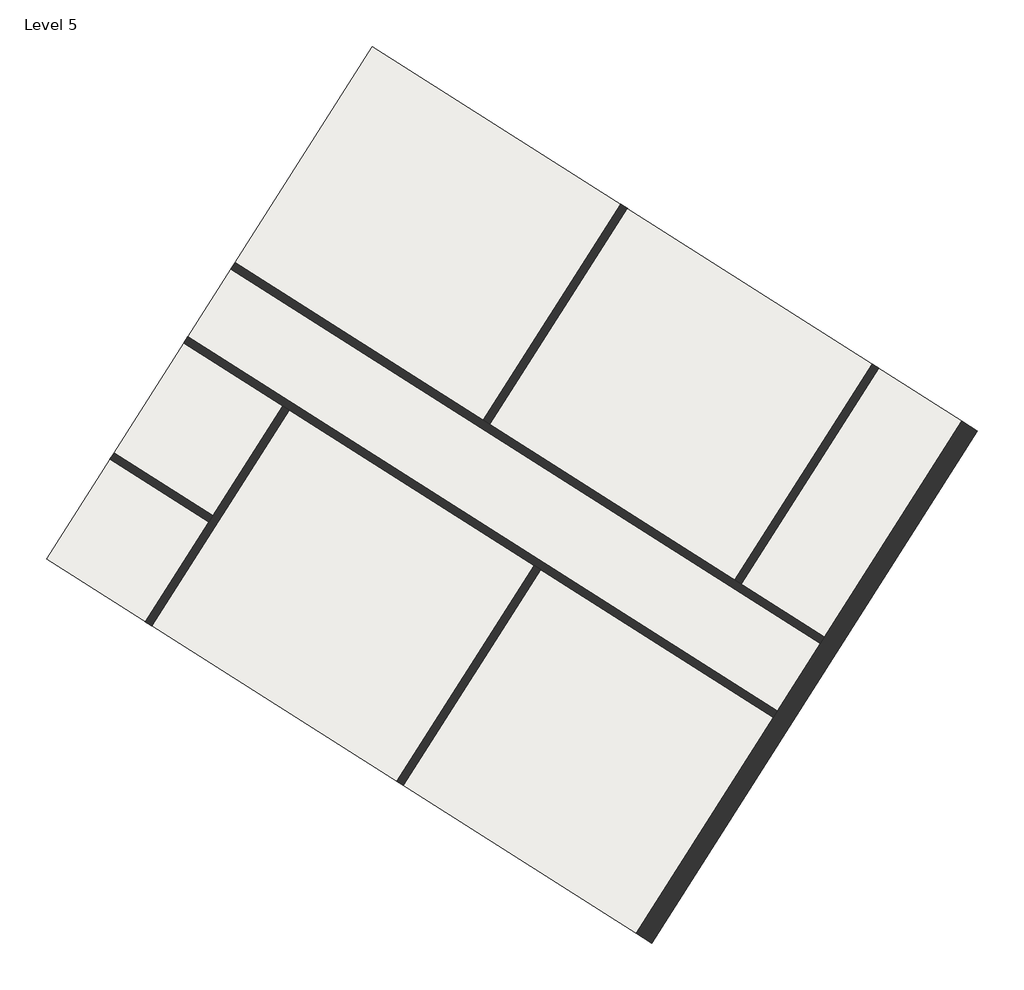
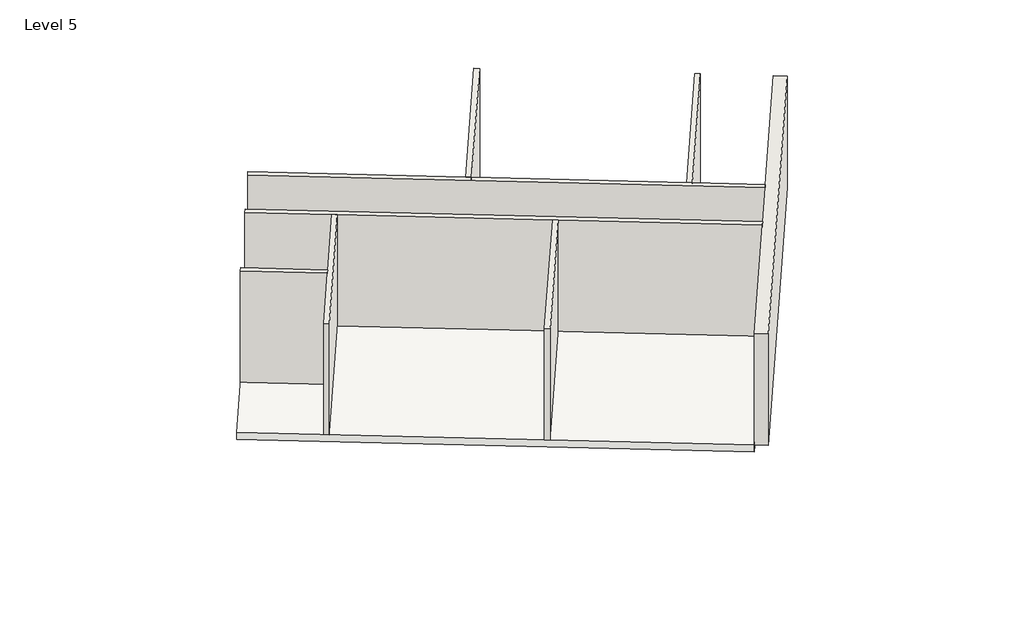
# One storey: 8 walls, 1 slab.
"""IFC4 building model written with IfcOpenShell, lengths in millimetres."""

from ifc_helpers import new_model, si_unit, frame, origin, place, context, project, spatial, polyline, outline, extrude, faceted_brep, element, save

model = new_model("IFC4")

# Units and contexts
model_context = context("Model", 3, world=origin())
ifc_project = project(units=[si_unit("LENGTHUNIT", "METRE", prefix="MILLI")], contexts=[model_context])

# Site, building, storey
site = spatial("IfcSite", under=ifc_project)
building = spatial("IfcBuilding", under=site)
storey = spatial("IfcBuildingStorey", under=building, Name="Level 5", Elevation=19507.2)

# Slab
placement = place(None, origin())
element("IfcSlab", 1, ObjectType="Generic - 12\"", at=placement, inside=storey, context=model_context, shape_type="SweptSolid", body=[
    extrude(outline(polyline([(566597.0857134, 249163.9606719), (557934.5228164, 235528.5419613), (542257.7475302, 245487.9759046), (550920.3104272, 259123.3946153), (566597.0857134, 249163.9606719)])), frame((0.0, 0.0, 19202.4), z_axis=(0.0, 0.0, 1.0), x_axis=(1.0, 0.0, 0.0)), (0.0, 0.0, 1.0), 304.8),
])

# Walls
element("IfcWall", 2, ObjectType="Generic - 191/2\" Exterior", at=placement, inside=storey, context=model_context, shape_type="Brep", body=[
    faceted_brep([(558352.5898995, 235262.944514, 19507.2), (567015.1527965, 248898.3632246, 19507.2), (567015.1527965, 248898.3632246, 24384.0), (558352.5898995, 235262.944514, 24384.0), (557934.5228164, 235528.5419613, 19507.2), (557934.5228164, 235528.5419613, 24384.0), (561584.7851692, 241274.2844368, 24384.0), (561693.7482245, 241445.7991376, 24384.0), (562837.8603052, 243246.7034956, 24384.0), (562946.8233605, 243418.2181964, 24384.0), (566597.0857134, 249163.9606719, 24384.0), (566597.0857134, 249163.9606719, 19507.2), (562946.8233605, 243418.2181964, 19507.2), (562837.8603052, 243246.7034956, 19507.2), (561693.7482245, 241445.7991376, 19507.2), (561584.7851692, 241274.2844368, 19507.2)], [[[0, 1, 2, 3]], [[4, 5, 6, 7, 8, 9, 10, 11, 12, 13, 14, 15]], [[1, 0, 4, 15, 14, 13, 12, 11]], [[3, 2, 10, 9, 8, 7, 6, 5]], [[2, 1, 11, 10]], [[0, 3, 5, 4]]]),
])
element("IfcWall", 3, ObjectType="Generic - 8\"", at=placement, inside=storey, context=model_context, shape_type="Brep", body=[
    faceted_brep([(545908.009883, 251233.7183802, 19507.2), (548538.9482424, 249562.2868312, 19507.2), (548710.4629432, 249453.3237759, 19507.2), (555228.0215722, 245312.7276742, 19507.2), (555399.5362729, 245203.7646189, 19507.2), (561584.7851692, 241274.2844368, 19507.2), (561584.7851692, 241274.2844368, 24384.0), (555399.5362729, 245203.7646189, 24384.0), (555228.0215722, 245312.7276742, 24384.0), (548710.4629432, 249453.3237759, 24384.0), (548538.9482424, 249562.2868312, 24384.0), (545908.009883, 251233.7183802, 24384.0), (546016.9729383, 251405.233081, 19507.2), (546016.9729383, 251405.233081, 24384.0), (561693.7482245, 241445.7991376, 24384.0), (561693.7482245, 241445.7991376, 19507.2)], [[[0, 1, 2, 3, 4, 5, 6, 7, 8, 9, 10, 11]], [[12, 13, 14, 15]], [[5, 4, 3, 2, 1, 0, 12, 15]], [[11, 10, 9, 8, 7, 6, 14, 13]], [[0, 11, 13, 12]], [[6, 5, 15, 14]]]),
])
element("IfcWall", 4, ObjectType="Generic - 8\"", at=placement, inside=storey, context=model_context, shape_type="Brep", body=[
    faceted_brep([(562946.8233605, 243418.2181964, 19507.2), (560733.9520843, 244824.052298, 19507.2), (560562.4373835, 244933.0153533, 19507.2), (554044.8787545, 249073.611455, 19507.2), (553873.3640538, 249182.5745103, 19507.2), (547270.0480744, 253377.6521397, 19507.2), (547270.0480744, 253377.6521397, 24384.0), (553873.3640538, 249182.5745103, 24384.0), (554044.8787545, 249073.611455, 24384.0), (560562.4373835, 244933.0153533, 24384.0), (560733.9520843, 244824.052298, 24384.0), (562946.8233605, 243418.2181964, 24384.0), (562837.8603052, 243246.7034956, 19507.2), (562837.8603052, 243246.7034956, 24384.0), (547161.0850191, 253206.137439, 24384.0), (547161.0850191, 253206.137439, 19507.2)], [[[0, 1, 2, 3, 4, 5, 6, 7, 8, 9, 10, 11]], [[12, 13, 14, 15]], [[5, 4, 3, 2, 1, 0, 12, 15]], [[11, 10, 9, 8, 7, 6, 14, 13]], [[6, 5, 15, 14]], [[0, 11, 13, 12]]]),
])
element("IfcWall", 5, ObjectType="Generic - 8\"", at=placement, inside=storey, context=model_context, shape_type="Brep", body=[
    faceted_brep([(548538.9482424, 249562.2868312, 19507.2), (546683.0723074, 246641.0214101, 19507.2), (546574.1092521, 246469.5067094, 19507.2), (544888.6858896, 243816.5443557, 19507.2), (544888.6858896, 243816.5443557, 24384.0), (546574.1092521, 246469.5067094, 24384.0), (546683.0723074, 246641.0214101, 24384.0), (548538.9482424, 249562.2868312, 24384.0), (548710.4629432, 249453.3237759, 19507.2), (548710.4629432, 249453.3237759, 24384.0), (545060.2005903, 243707.5813004, 24384.0), (545060.2005903, 243707.5813004, 19507.2)], [[[0, 1, 2, 3, 4, 5, 6, 7]], [[8, 9, 10, 11]], [[3, 2, 1, 0, 8, 11]], [[7, 6, 5, 4, 10, 9]], [[0, 7, 9, 8]], [[4, 3, 11, 10]]]),
])
element("IfcWall", 6, ObjectType="Generic - 8\"", at=placement, inside=storey, context=model_context, shape_type="SweptSolid", body=[
    extrude(outline(polyline([(544052.133948, 248312.4529591), (546683.0723074, 246641.0214101), (546574.1092521, 246469.5067094), (543943.1708927, 248140.9382583), (544052.133948, 248312.4529591)])), frame((0.0, 0.0, 19507.2), z_axis=(0.0, 0.0, 1.0), x_axis=(1.0, 0.0, 0.0)), (0.0, 0.0, 1.0), 4876.8),
])
element("IfcWall", 7, ObjectType="Generic - 8\"", at=placement, inside=storey, context=model_context, shape_type="SweptSolid", body=[
    extrude(outline(polyline([(555399.5362729, 245203.7646189), (551749.2739201, 239458.0221433), (551577.7592193, 239566.9851986), (555228.0215722, 245312.7276742), (555399.5362729, 245203.7646189)])), frame((0.0, 0.0, 19507.2), z_axis=(0.0, 0.0, 1.0), x_axis=(1.0, 0.0, 0.0)), (0.0, 0.0, 1.0), 4876.8),
])
element("IfcWall", 8, ObjectType="Generic - 8\"", at=placement, inside=storey, context=model_context, shape_type="SweptSolid", body=[
    extrude(outline(polyline([(557695.1411074, 254819.3539306), (554044.8787545, 249073.611455), (553873.3640538, 249182.5745103), (557523.6264066, 254928.3169859), (557695.1411074, 254819.3539306)])), frame((0.0, 0.0, 19507.2), z_axis=(0.0, 0.0, 1.0), x_axis=(1.0, 0.0, 0.0)), (0.0, 0.0, 1.0), 4876.8),
])
element("IfcWall", 9, ObjectType="Generic - 8\"", at=placement, inside=storey, context=model_context, shape_type="SweptSolid", body=[
    extrude(outline(polyline([(564384.2144371, 250569.7947736), (560733.9520843, 244824.052298), (560562.4373835, 244933.0153533), (564212.6997364, 250678.7578289), (564384.2144371, 250569.7947736)])), frame((0.0, 0.0, 19507.2), z_axis=(0.0, 0.0, 1.0), x_axis=(1.0, 0.0, 0.0)), (0.0, 0.0, 1.0), 4876.8),
])

save(model, "model.ifc")
